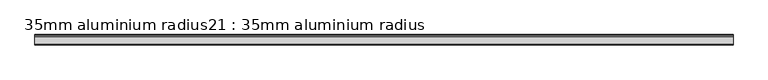
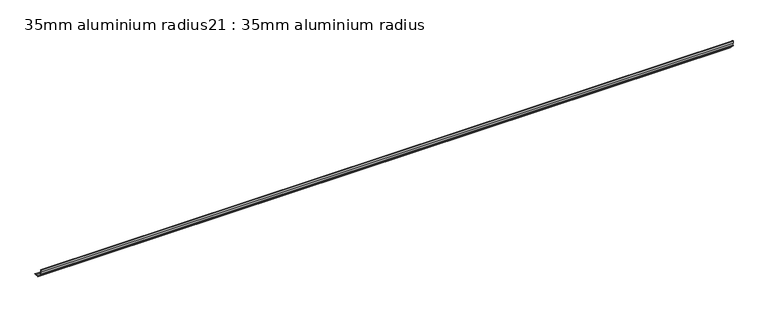
"""IFC4 building model written with IfcOpenShell, lengths in millimetres: proxy geometry, 35mm aluminium radius21 : 35mm aluminium radius."""

from ifc_helpers import new_model, si_unit, point, frame, frame_2d, origin, place, context, project, spatial, polyline, circle_curve, trimmed, segment, composite_curve, outline, extrude, source, transform, mapped, element, save


def proxy_35mm_aluminium_radius21_35mm_aluminium_radius_fef4f282(model_context):
    return source(origin(), model_context, "Body", "SweptSolid", [
        extrude(outline(composite_curve([segment(trimmed(circle_curve(frame_2d((-27052.2541764, 309.9)), 0.5), [point((-27052.620843, 309.5600654))], [point((-27051.9075574, 310.2603544))], False, "CARTESIAN"), True, "CONTINUOUS"), segment(trimmed(circle_curve(frame_2d((-27053.9541764, 308.0668752)), 3.0), [point((-27051.9075574, 310.2603544))], [point((-27050.9541764, 308.0668752))], False, "CARTESIAN"), True, "CONTINUOUS"), segment(polyline([(-27050.9541764, 308.0668752), (-27050.9541764, 301.8)]), True, "CONTINUOUS"), segment(trimmed(circle_curve(frame_2d((-27025.9541764, 301.8)), 25.0), [point((-27050.9541764, 301.8))], [point((-27025.9541764, 276.8))], True, "CARTESIAN"), True, "CONTINUOUS"), segment(polyline([(-27025.9541764, 276.8), (-27019.6873011, 276.8)]), True, "CONTINUOUS"), segment(trimmed(circle_curve(frame_2d((-27019.6873011, 273.8)), 3.0), [point((-27019.6873011, 276.8))], [point((-27017.4814231, 275.8332491))], False, "CARTESIAN"), True, "CONTINUOUS"), segment(trimmed(circle_curve(frame_2d((-27017.8541764, 275.5)), 0.5), [point((-27017.4814231, 275.8332491))], [point((-27018.194111, 275.1333333))], False, "CARTESIAN"), True, "CONTINUOUS"), segment(trimmed(circle_curve(frame_2d((-27019.4136906, 272.5485482)), 2.8580567), [point((-27018.194111, 275.1333333))], [point((-27019.6078843, 275.4))], True, "CARTESIAN"), True, "CONTINUOUS"), segment(polyline([(-27019.6078843, 275.4), (-27025.9541764, 275.4)]), True, "CONTINUOUS"), segment(trimmed(circle_curve(frame_2d((-27025.9541764, 301.8)), 26.4), [point((-27025.9541764, 275.4))], [point((-27033.9541764, 276.6413037))], False, "CARTESIAN"), True, "CONTINUOUS"), segment(polyline([(-27033.9541764, 276.6413037), (-27033.9541764, 275.0), (-27035.3541764, 275.0), (-27035.3541764, 277.1301804)]), True, "CONTINUOUS"), segment(trimmed(circle_curve(frame_2d((-27025.9541764, 301.8)), 26.4), [point((-27035.3541764, 277.1301804))], [point((-27050.623996, 292.4))], False, "CARTESIAN"), True, "CONTINUOUS"), segment(polyline([(-27050.623996, 292.4), (-27052.7541764, 292.4), (-27052.7541764, 293.8), (-27051.1128727, 293.8)]), True, "CONTINUOUS"), segment(trimmed(circle_curve(frame_2d((-27025.9541764, 301.8)), 26.4), [point((-27051.1128727, 293.8))], [point((-27052.3541764, 301.8))], False, "CARTESIAN"), True, "CONTINUOUS"), segment(polyline([(-27052.3541764, 301.8), (-27052.3541764, 308.5084497)]), True, "CONTINUOUS"), segment(trimmed(circle_curve(frame_2d((-27053.5297063, 308.7699793)), 1.2042709), [point((-27052.3541764, 308.5084497))], [point((-27052.620843, 309.5600654))], True, "CARTESIAN"), True, "CONTINUOUS")], self_intersect=False)), frame((1584.6309284, 0.0, 0.0), z_axis=(1.0, 0.0, 0.0), x_axis=(0.0, 1.0, 0.0)), (0.0, 0.0, 1.0), 2400.0),
    ])


if __name__ == "__main__":
    model = new_model("IFC4")
    model_context = context("Model", 3, world=origin())
    ifc_project = project(units=[si_unit("LENGTHUNIT", "METRE", prefix="MILLI")], contexts=[model_context])
    site = spatial("IfcSite", under=ifc_project)
    building = spatial("IfcBuilding", under=site)
    placement = place(None, origin())
    proxy_35mm_aluminium_radius21_35mm_aluminium_radius_shape = proxy_35mm_aluminium_radius21_35mm_aluminium_radius_fef4f282(model_context)
    element("IfcBuildingElementProxy", 1, Name="35mm aluminium radius21 : 35mm aluminium radius", ObjectType="35mm aluminium radius21 : 35mm aluminium radius", at=placement, inside=building, context=model_context, shape_type="MappedRepresentation", body=[
        mapped(proxy_35mm_aluminium_radius21_35mm_aluminium_radius_shape, transform((0.0, 0.0, 0.0), x_axis=(1.0, 0.0, 0.0), y_axis=(0.0, 1.0, 0.0), z_axis=(0.0, 0.0, 1.0))),
    ])
    save(model, "model.ifc")
